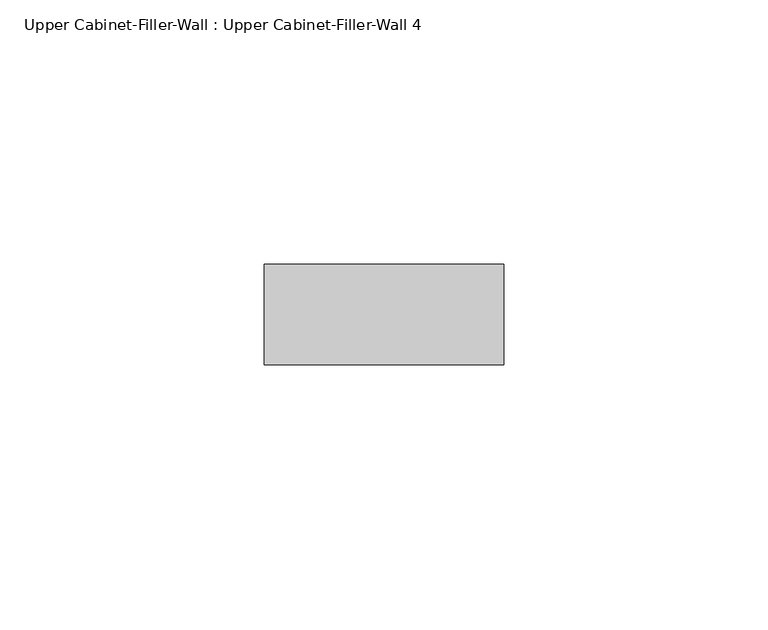
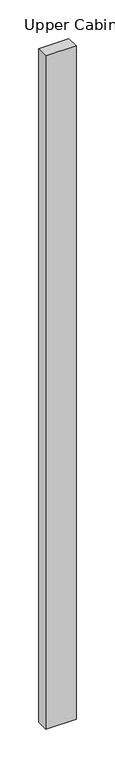
"""IFC4 building model written with IfcOpenShell, lengths in millimetres: furniture geometry, Upper Cabinet-Filler-Wall : Upper Cabinet-Filler-Wall 4."""

from ifc_helpers import new_model, si_unit, frame, origin, place, context, project, spatial, polyline, outline, extrude, source, transform, mapped, element, save


def upper_cabinet_filler_wall_upper_cabinet_filler_wall_4_38fcf90b(model_context):
    return source(origin(), model_context, "Body", "SweptSolid", [
        extrude(outline(polyline([(7.0857775, -347.6625), (52.4565481, -347.6625), (52.4565481, -366.7125), (7.0857775, -366.7125), (7.0857775, -347.6625)])), frame((0.0, 0.0, 1066.8), z_axis=(0.0, 0.0, 1.0), x_axis=(1.0, 0.0, 0.0)), (0.0, 0.0, 1.0), 1066.8),
    ])


if __name__ == "__main__":
    model = new_model("IFC4")
    model_context = context("Model", 3, world=origin())
    ifc_project = project(units=[si_unit("LENGTHUNIT", "METRE", prefix="MILLI")], contexts=[model_context])
    site = spatial("IfcSite", under=ifc_project)
    building = spatial("IfcBuilding", under=site)
    placement = place(None, origin())
    upper_cabinet_filler_wall_upper_cabinet_filler_wall_4_shape = upper_cabinet_filler_wall_upper_cabinet_filler_wall_4_38fcf90b(model_context)
    element("IfcFurniture", 1, ObjectType="Upper Cabinet-Filler-Wall : Upper Cabinet-Filler-Wall 4", at=placement, inside=building, context=model_context, shape_type="MappedRepresentation", body=[
        mapped(upper_cabinet_filler_wall_upper_cabinet_filler_wall_4_shape, transform((0.0, 0.0, 0.0), x_axis=(1.0, 0.0, 0.0), y_axis=(0.0, 1.0, 0.0), z_axis=(0.0, 0.0, 1.0))),
    ])
    save(model, "model.ifc")
